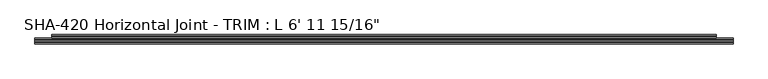
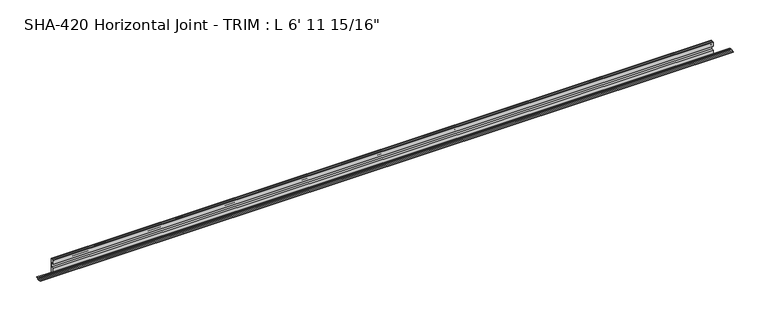
"""IFC4 building model written with IfcOpenShell, lengths in millimetres: proxy geometry."""

from ifc_helpers import new_model, si_unit, frame, origin, place, context, project, spatial, polyline, circle_curve, source, transform, mapped, element, save
from ifc_brep_helpers import plane_surface, cylinder_surface, revolved_surface, advanced_brep


def proxy_7a3f8114(model_context):
    return source(origin(), model_context, "Body", "AdvancedBrep", [
        advanced_brep(
        [(2132.0125, 10.5664, -14.5120878), (2132.0125, 6.2207723, -14.5120878), (2132.0125, 3.0711723, -14.5120878), (2132.0125, -1.1325276, -14.5120878), (2132.0125, -4.2821276, -14.5120878), (2132.0125, -8.4858276, -14.5120878), (2132.0125, -8.4858276, -16.0868881), (2132.0125, -4.2821276, -16.0868881), (2132.0125, -1.1325276, -16.0868881), (2132.0125, 3.0711723, -16.0868881), (2132.0125, 6.2207723, -16.0868881), (2132.0125, 10.5664, -16.0868881), (0.0, 10.5664, -16.0868881), (0.0, 6.2207723, -16.0868881), (0.0, 3.0711723, -16.0868881), (0.0, -1.1325276, -16.0868881), (0.0, -4.2821276, -16.0868881), (0.0, -8.4858276, -16.0868881), (0.0, -8.4858276, -14.5120878), (0.0, -4.2821276, -14.5120878), (0.0, -1.1325276, -14.5120878), (0.0, 3.0711723, -14.5120878), (0.0, 6.2207723, -14.5120878), (0.0, 10.5664, -14.5120878), (2081.2125, 12.8855416, 21.9656491), (50.8, 12.8855416, 21.9656491), (50.8, 11.756868, 22.4248425), (50.8, 10.5641724, 21.8995653), (2081.2125, 10.5641724, 21.8995653), (2081.2125, 11.756868, 22.4248425), (50.8, 10.5641724, 9.8147622), (2081.2125, 10.5641724, 9.8147622), (50.8, 17.2443724, 9.8147622), (2081.2125, 17.2443724, 9.8147622), (50.8, 18.5143724, 8.5447622), (2081.2125, 18.5143724, 8.5447622), (50.8, 18.5143724, -4.3266878), (2081.2125, 18.5143724, -4.3266878), (50.8, 10.5664, -4.3266878), (2081.2125, 10.5664, -4.3266878), (50.8, 10.5664, -14.5120878), (2081.2125, 10.5664, -14.5120878), (50.8, 10.5641724, -16.0868881), (2081.2125, 10.5664, -16.0868881), (50.8, 10.5664, -17.6616881), (2081.2125, 10.5664, -17.6616881), (50.8, 12.8070246, -17.6616881), (2081.2125, 12.8070246, -17.6616881), (50.8, 14.7028353, -6.590154), (2081.2125, 14.7028353, -6.590154), (50.8, 16.9116736, -6.590154), (2081.2125, 16.9116736, -6.590154), (50.8, 16.9116736, -22.4241878), (2081.2125, 16.9116736, -22.4241878), (50.8, 20.0891724, -22.4241878), (2081.2125, 20.0891724, -22.4241878), (50.8, 20.0891724, 22.4241878), (2081.2125, 20.0891724, 22.4241878), (50.8, 16.9116736, 22.4241878), (2081.2125, 16.9116736, 22.4241878), (50.8, 16.9116736, 11.3895622), (2081.2125, 16.9116736, 11.3895622), (50.8, 14.6965154, 11.3895622), (2081.2125, 14.6965154, 11.3895622)],
        [
            (0, 1),
            (1, 2, circle_curve(frame((2132.0125, 4.6459723, -14.5120878), z_axis=(1.0, 0.0, 0.0), x_axis=(0.0, 1.0, 0.0)), 1.5748)),
            (2, 3),
            (3, 4, circle_curve(frame((2132.0125, -2.7073276, -14.5120878), z_axis=(1.0, 0.0, 0.0), x_axis=(0.0, 1.0, 0.0)), 1.5748)),
            (4, 5),
            (5, 6),
            (6, 7),
            (7, 8, circle_curve(frame((2132.0125, -2.7073276, -16.0868881), z_axis=(1.0, 0.0, 0.0), x_axis=(0.0, 1.0, 0.0)), 1.5748)),
            (8, 9),
            (9, 10, circle_curve(frame((2132.0125, 4.6459723, -16.0868881), z_axis=(1.0, 0.0, 0.0), x_axis=(0.0, 1.0, 0.0)), 1.5748)),
            (10, 11),
            (11, 0),
            (12, 13),
            (13, 14, circle_curve(frame((0.0, 4.6459723, -16.0868881), z_axis=(-1.0, 0.0, 0.0), x_axis=(0.0, 1.0, 0.0)), 1.5748)),
            (14, 15),
            (15, 16, circle_curve(frame((0.0, -2.7073276, -16.0868881), z_axis=(-1.0, 0.0, 0.0), x_axis=(0.0, 1.0, 0.0)), 1.5748)),
            (16, 17),
            (17, 18),
            (18, 19),
            (19, 20, circle_curve(frame((0.0, -2.7073276, -14.5120878), z_axis=(-1.0, 0.0, 0.0), x_axis=(0.0, 1.0, 0.0)), 1.5748)),
            (20, 21),
            (21, 22, circle_curve(frame((0.0, 4.6459723, -14.5120878), z_axis=(-1.0, 0.0, 0.0), x_axis=(0.0, 1.0, 0.0)), 1.5748)),
            (22, 23),
            (23, 12),
            (24, 25),
            (25, 26, circle_curve(frame((50.8, 11.756868, 20.808135), z_axis=(1.0, 0.0, 0.0), x_axis=(0.0, 1.0, 0.0)), 1.6167075)),
            (26, 27, circle_curve(frame((50.8, 11.756868, 20.808135), z_axis=(1.0, 0.0, 0.0), x_axis=(0.0, 1.0, 0.0)), 1.6167075)),
            (27, 28),
            (28, 29, circle_curve(frame((2081.2125, 11.756868, 20.808135), z_axis=(-1.0, 0.0, 0.0), x_axis=(0.0, 1.0, 0.0)), 1.6167075)),
            (29, 24, circle_curve(frame((2081.2125, 11.756868, 20.808135), z_axis=(-1.0, 0.0, 0.0), x_axis=(0.0, 1.0, 0.0)), 1.6167075)),
            (27, 30),
            (30, 31),
            (31, 28),
            (30, 32),
            (32, 33),
            (33, 31),
            (32, 34, circle_curve(frame((50.8, 17.2443724, 8.5447622), z_axis=(-1.0, 0.0, 0.0), x_axis=(0.0, 1.0, 0.0)), 1.27)),
            (34, 35),
            (35, 33, circle_curve(frame((2081.2125, 17.2443724, 8.5447622), z_axis=(1.0, 0.0, 0.0), x_axis=(0.0, 1.0, 0.0)), 1.27)),
            (34, 36),
            (36, 37),
            (37, 35),
            (36, 38),
            (38, 39),
            (39, 37),
            (38, 40),
            (40, 41),
            (41, 39),
            (0, 41),
            (40, 23),
            (22, 1),
            (10, 13),
            (12, 42),
            (42, 43),
            (43, 11),
            (42, 44),
            (44, 45),
            (45, 43),
            (44, 46),
            (46, 47),
            (47, 45),
            (46, 48),
            (48, 49),
            (49, 47),
            (48, 50),
            (50, 51),
            (51, 49),
            (50, 52),
            (52, 53),
            (53, 51),
            (52, 54),
            (54, 55),
            (55, 53),
            (54, 56),
            (56, 57),
            (57, 55),
            (56, 58),
            (58, 59),
            (59, 57),
            (58, 60),
            (60, 61),
            (61, 59),
            (60, 62),
            (62, 63),
            (63, 61),
            (24, 63),
            (62, 25),
            (43, 41),
            (40, 42),
            (21, 2),
            (20, 3),
            (19, 4),
            (18, 5),
            (17, 6),
            (16, 7),
            (15, 8),
            (14, 9),
        ],
        [
            plane_surface(frame((2132.0125, 13.3735755, 20.808135), z_axis=(1.0, 0.0, 0.0), x_axis=(0.0, 0.0, 1.0))),
            plane_surface(frame((0.0, 13.3735755, 20.808135), z_axis=(-1.0, 0.0, 0.0), x_axis=(0.0, 0.0, -1.0))),
            cylinder_surface(frame((0.0, 11.756868, 20.808135), z_axis=(1.0, 0.0, 0.0), x_axis=(0.0, 1.0, 0.0)), 1.6167075),
            plane_surface(frame((2132.0125, 10.5641724, 21.8995653), z_axis=(0.0, -1.0, 0.0), x_axis=(-1.0, 0.0, 0.0))),
            plane_surface(frame((2132.0125, 10.5641724, 9.8147622), z_axis=(0.0, 0.0, -1.0), x_axis=(-1.0, 0.0, 0.0))),
            revolved_surface(polyline([(50.8, 18.5143724, 8.5447622), (2081.2125, 18.5143724, 8.5447622)]), (0.0, 17.2443724, 8.5447622), (-1.0, 0.0, 0.0)),
            plane_surface(frame((2132.0125, 18.5143724, 8.5447622), z_axis=(0.0, -1.0, 0.0), x_axis=(-1.0, 0.0, 0.0))),
            plane_surface(frame((2132.0125, 18.5143724, -4.3266878), z_axis=(0.0, 0.0, 1.0), x_axis=(-1.0, 0.0, 0.0))),
            plane_surface(frame((2132.0125, 10.5664, -4.3266878), z_axis=(0.0, -1.0, 0.0), x_axis=(-1.0, 0.0, 0.0))),
            plane_surface(frame((2132.0125, 10.5664, -14.5120878), z_axis=(0.0, 6.550851548008525e-11, 1.0), x_axis=(-1.0, 0.0, 0.0))),
            plane_surface(frame((2132.0125, 6.2207723, -16.0868881), z_axis=(0.0, 0.0, -1.0), x_axis=(-1.0, 0.0, 0.0))),
            plane_surface(frame((2132.0125, 10.5664, -16.0868881), z_axis=(0.0, -1.0, 0.0), x_axis=(-1.0, 0.0, 0.0))),
            plane_surface(frame((2132.0125, 10.5664, -17.6616881), z_axis=(0.0, -1.2686311474070984e-12, -1.0), x_axis=(-1.0, 0.0, 0.0))),
            plane_surface(frame((2132.0125, 12.8070246, -17.6616881), z_axis=(0.0, 0.9856543593992835, -0.1687764314031673), x_axis=(-1.0, 0.0, 0.0))),
            plane_surface(frame((2132.0125, 14.7028353, -6.590154), z_axis=(0.0, 0.0, -1.0), x_axis=(-1.0, 0.0, 0.0))),
            plane_surface(frame((2132.0125, 16.9116736, -6.590154), z_axis=(0.0, -1.0, 0.0), x_axis=(-1.0, 0.0, 0.0))),
            plane_surface(frame((2132.0125, 16.9116736, -22.4241878), z_axis=(0.0, 0.0, -1.0), x_axis=(-1.0, 0.0, 0.0))),
            plane_surface(frame((2132.0125, 20.0891724, -22.4241878), z_axis=(0.0, 1.0, 0.0), x_axis=(-1.0, 0.0, 0.0))),
            plane_surface(frame((2132.0125, 20.0891724, 22.4241878), z_axis=(0.0, 0.0, 1.0), x_axis=(-1.0, 0.0, 0.0))),
            plane_surface(frame((2132.0125, 16.9116736, 22.4241878), z_axis=(0.0, -1.0, 0.0), x_axis=(-1.0, 0.0, 0.0))),
            plane_surface(frame((2132.0125, 16.9116736, 11.3895622), z_axis=(0.0, 0.0, 1.0), x_axis=(-1.0, 0.0, 0.0))),
            plane_surface(frame((2132.0125, 14.6965154, 11.3895622), z_axis=(0.0, 0.9856543593990678, 0.16877643140442766), x_axis=(-1.0, 0.0, 0.0))),
            plane_surface(frame((2081.2125, 10.5641724, 22.4248425), z_axis=(0.0, 1.0, 0.0), x_axis=(0.0, 0.0, -1.0))),
            plane_surface(frame((2081.2125, 10.5641724, 22.4248425), z_axis=(1.0, 0.0, 0.0), x_axis=(0.0, 1.0, 0.0))),
            plane_surface(frame((50.8, 10.5641724, -22.4241878), z_axis=(-1.0, 0.0, 0.0), x_axis=(0.0, 1.0, 0.0))),
            cylinder_surface(frame((0.0, 4.6459723, -14.5120878), z_axis=(1.0, 0.0, 0.0), x_axis=(0.0, 1.0, 0.0)), 1.5748),
            plane_surface(frame((2132.0125, 3.0711723, -14.5120878), z_axis=(0.0, 6.693990801291056e-11, 1.0), x_axis=(-1.0, 0.0, 0.0))),
            cylinder_surface(frame((0.0, -2.7073276, -14.5120878), z_axis=(1.0, 0.0, 0.0), x_axis=(0.0, 1.0, 0.0)), 1.5748),
            plane_surface(frame((2132.0125, -4.2821276, -14.5120878), z_axis=(0.0, 0.0, 1.0), x_axis=(-1.0, 0.0, 0.0))),
            plane_surface(frame((2132.0125, -8.4858276, -14.5120878), z_axis=(0.0, -1.0, 0.0), x_axis=(-1.0, 0.0, 0.0))),
            plane_surface(frame((2132.0125, -8.4858276, -16.0868881), z_axis=(0.0, 0.0, -1.0), x_axis=(-1.0, 0.0, 0.0))),
            cylinder_surface(frame((0.0, -2.7073276, -16.0868881), z_axis=(1.0, 0.0, 0.0), x_axis=(0.0, 1.0, 0.0)), 1.5748),
            plane_surface(frame((2132.0125, -1.1325276, -16.0868881), z_axis=(0.0, 0.0, -1.0), x_axis=(-1.0, 0.0, 0.0))),
            cylinder_surface(frame((0.0, 4.6459723, -16.0868881), z_axis=(1.0, 0.0, 0.0), x_axis=(0.0, 1.0, 0.0)), 1.5748),
        ],
        [
            (0, [[1, 2, 3, 4, 5, 6, 7, 8, 9, 10, 11, 12]]),
            (1, [[13, 14, 15, 16, 17, 18, 19, 20, 21, 22, 23, 24]]),
            (2, [[25, 26, 27, 28, 29, 30]]),
            (3, [[-28, 31, 32, 33]]),
            (4, [[-32, 34, 35, 36]]),
            (5, [[-35, 37, 38, 39]]),
            (6, [[-38, 40, 41, 42]]),
            (7, [[-41, 43, 44, 45]]),
            (8, [[-44, 46, 47, 48]]),
            (9, [[-1, 49, -47, 50, -23, 51]]),
            (10, [[-11, 52, -13, 53, 54, 55]]),
            (11, [[-54, 56, 57, 58]]),
            (12, [[-57, 59, 60, 61]]),
            (13, [[-60, 62, 63, 64]]),
            (14, [[-63, 65, 66, 67]]),
            (15, [[-66, 68, 69, 70]]),
            (16, [[-69, 71, 72, 73]]),
            (17, [[-72, 74, 75, 76]]),
            (18, [[-75, 77, 78, 79]]),
            (19, [[-78, 80, 81, 82]]),
            (20, [[-81, 83, 84, 85]]),
            (21, [[-25, 86, -84, 87]]),
            (22, [[88, -49, -12, -55]]),
            (22, [[89, -53, -24, -50]]),
            (23, [[-88, -58, -61, -64, -67, -70, -73, -76, -79, -82, -85, -86, -30, -29, -33, -36, -39, -42, -45, -48]]),
            (24, [[-89, -46, -43, -40, -37, -34, -31, -27, -26, -87, -83, -80, -77, -74, -71, -68, -65, -62, -59, -56]]),
            (25, [[-2, -51, -22, 90]]),
            (26, [[-3, -90, -21, 91]]),
            (27, [[-4, -91, -20, 92]]),
            (28, [[-5, -92, -19, 93]]),
            (29, [[-6, -93, -18, 94]]),
            (30, [[-7, -94, -17, 95]]),
            (31, [[-8, -95, -16, 96]]),
            (32, [[-9, -96, -15, 97]]),
            (33, [[-10, -97, -14, -52]]),
        ],
    ),
    ])


if __name__ == "__main__":
    model = new_model("IFC4")
    model_context = context("Model", 3, world=origin())
    ifc_project = project(units=[si_unit("LENGTHUNIT", "METRE", prefix="MILLI")], contexts=[model_context])
    site = spatial("IfcSite", under=ifc_project)
    building = spatial("IfcBuilding", under=site)
    placement = place(None, origin())
    proxy_shape = proxy_7a3f8114(model_context)
    element("IfcBuildingElementProxy", 1, Name="SHA-420 Horizontal Joint - TRIM : L 6' 11 15/16\"", ObjectType="SHA-420 Horizontal Joint - TRIM : L 6' 11 15/16\"", at=placement, inside=building, context=model_context, shape_type="MappedRepresentation", body=[
        mapped(proxy_shape, transform((0.0, 0.0, 0.0), x_axis=(1.0, 0.0, 0.0), y_axis=(0.0, 1.0, 0.0), z_axis=(0.0, 0.0, 1.0))),
    ])
    save(model, "model.ifc")
